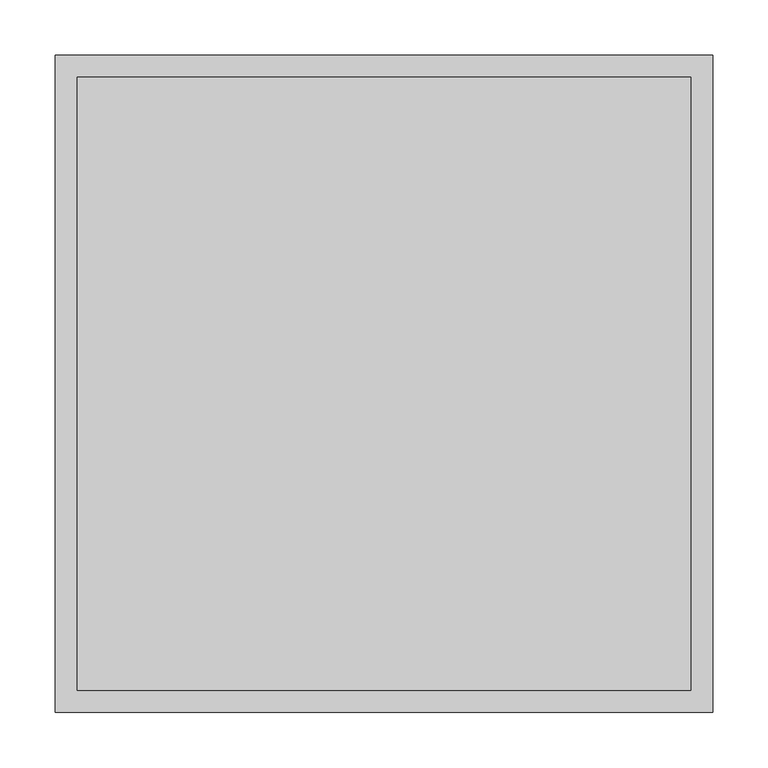
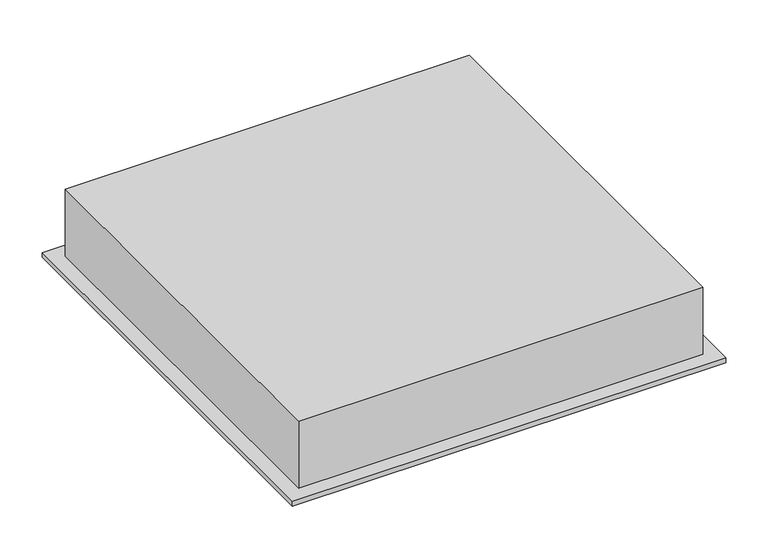
"""IFC4 building model written with IfcOpenShell, lengths in millimetres: air terminal geometry."""

from ifc_helpers import new_model, si_unit, frame, origin, origin_with_axes, place, context, project, spatial, polyline, outline, extrude, source, transform, mapped, element, save


def air_terminal_ae967406(model_context):
    return source(origin(), model_context, "Body", "SweptSolid", [
        extrude(outline(polyline([(-277.0, 277.0), (277.0, 277.0), (277.0, -277.0), (-277.0, -277.0), (-277.0, 277.0)])), frame((0.0, 0.0, -1.1), z_axis=(0.0, 0.0, 1.0), x_axis=(1.0, 0.0, 0.0)), (0.0, 0.0, 1.0), 0.2),
        extrude(outline(polyline([(-277.0, -277.0), (-277.0, 277.0), (277.0, 277.0), (277.0, -277.0), (-277.0, -277.0)])), frame((0.0, 0.0, 7.0), z_axis=(0.0, 0.0, 1.0), x_axis=(1.0, 0.0, 0.0)), (0.0, 0.0, 1.0), 97.0),
        extrude(outline(polyline([(-297.0, -297.0), (-297.0, 297.0), (297.0, 297.0), (297.0, -297.0), (-297.0, -297.0)])), origin_with_axes(), (0.0, 0.0, 1.0), 7.0),
    ])


if __name__ == "__main__":
    model = new_model("IFC4")
    model_context = context("Model", 3, world=origin())
    ifc_project = project(units=[si_unit("LENGTHUNIT", "METRE", prefix="MILLI")], contexts=[model_context])
    site = spatial("IfcSite", under=ifc_project)
    building = spatial("IfcBuilding", under=site)
    placement = place(None, origin())
    air_terminal_shape = air_terminal_ae967406(model_context)
    element("IfcAirTerminal", 1, at=placement, inside=building, context=model_context, shape_type="MappedRepresentation", body=[
        mapped(air_terminal_shape, transform((0.0, 0.0, 0.0), x_axis=(1.0, 0.0, 0.0), y_axis=(0.0, 1.0, 0.0), z_axis=(0.0, 0.0, 1.0))),
    ])
    save(model, "model.ifc")
